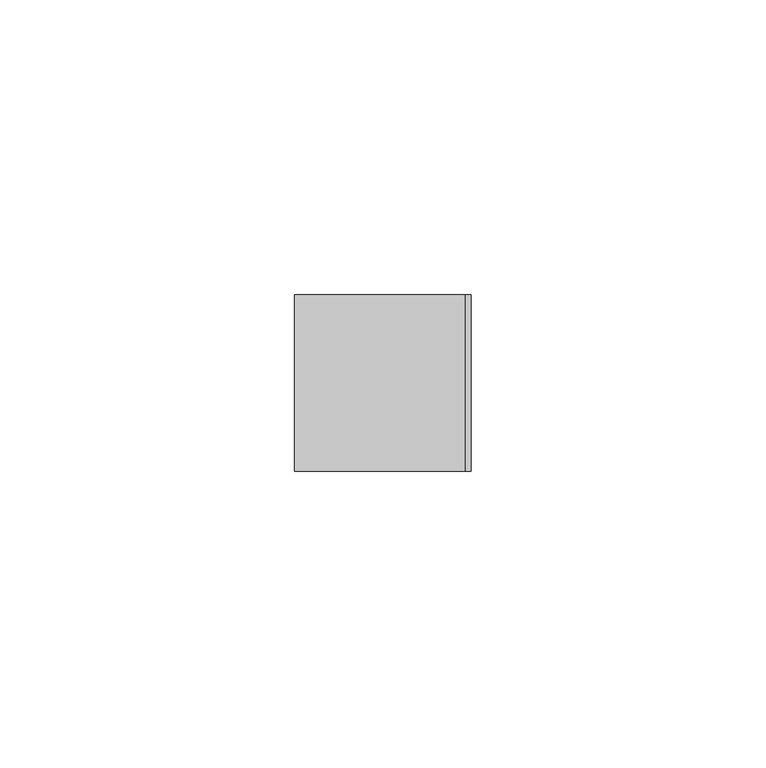
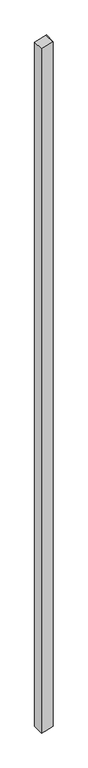
"""IFC4 building model written with IfcOpenShell, lengths in millimetres: member geometry."""

from ifc_helpers import new_model, si_unit, frame, origin, place, context, project, spatial, polyline, outline, extrude, source, transform, mapped, element, save


def member_1256b9e1(model_context):
    return source(origin(), model_context, "Body", "SweptSolid", [
        extrude(outline(polyline([(-47.7068097, 15.0), (-47.9795878, 14.0697958), (-56.5041731, -15.0), (-1898.0838052, -15.0), (-1895.7983261, -6.4704761), (-1890.0453294, 15.0), (-47.7068097, 15.0)])), frame((0.0, -15.0, 0.0), z_axis=(0.0, 1.0, 0.0), x_axis=(0.0, 0.0, 1.0)), (0.0, 0.0, 1.0), 30.0),
    ])


if __name__ == "__main__":
    model = new_model("IFC4")
    model_context = context("Model", 3, world=origin())
    ifc_project = project(units=[si_unit("LENGTHUNIT", "METRE", prefix="MILLI")], contexts=[model_context])
    site = spatial("IfcSite", under=ifc_project)
    building = spatial("IfcBuilding", under=site)
    placement = place(None, origin())
    member_shape = member_1256b9e1(model_context)
    element("IfcMember", 1, at=placement, inside=building, context=model_context, shape_type="MappedRepresentation", body=[
        mapped(member_shape, transform((0.0, 0.0, 0.0), x_axis=(1.0, 0.0, 0.0), y_axis=(0.0, 1.0, 0.0), z_axis=(0.0, 0.0, 1.0))),
    ])
    save(model, "model.ifc")
